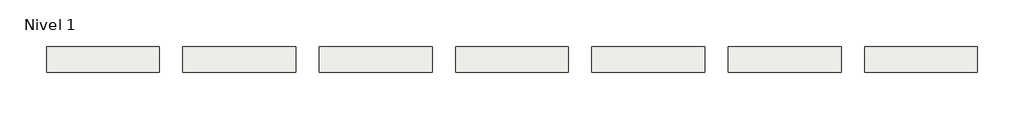
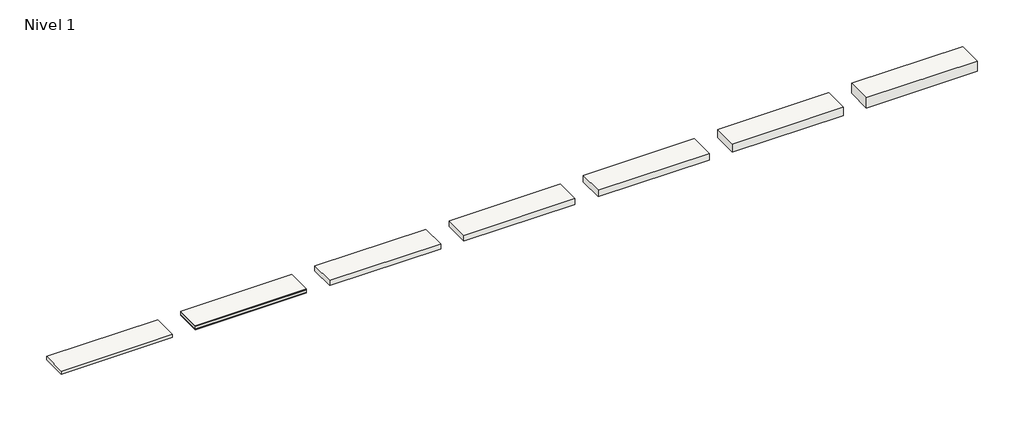
# One storey: 7 roofs.
"""IFC4 building model written with IfcOpenShell, lengths in millimetres."""

from ifc_helpers import new_model, si_unit, frame, origin, origin_with_axes, place, context, project, spatial, polyline, outline, extrude, element, save

model = new_model("IFC4")

# Units and contexts
model_context = context("Model", 3, world=origin())
ifc_project = project(units=[si_unit("LENGTHUNIT", "METRE", prefix="MILLI")], contexts=[model_context])

# Site, building, storey
site = spatial("IfcSite", under=ifc_project)
building = spatial("IfcBuilding", under=site)
storey = spatial("IfcBuildingStorey", under=building, Name="Nivel 1", Elevation=0.0)

# Roofs
placement = place(None, origin())
element("IfcRoof", 1, at=placement, inside=storey, context=model_context, shape_type="SweptSolid", body=[
    extrude(outline(polyline([(-924.6699095, -5944.5376473), (1475.3300905, -5944.5376473), (1475.3300905, -6494.5376473), (-924.6699095, -6494.5376473), (-924.6699095, -5944.5376473)])), frame((0.0, 0.0, 79.0), z_axis=(0.0, 0.0, 1.0), x_axis=(1.0, 0.0, 0.0)), (0.0, 0.0, 1.0), 12.5),
    extrude(outline(polyline([(-924.6699095, -5944.5376473), (1475.3300905, -5944.5376473), (1475.3300905, -6494.5376473), (-924.6699095, -6494.5376473), (-924.6699095, -5944.5376473)])), frame((0.0, 0.0, 19.0), z_axis=(0.0, 0.0, 1.0), x_axis=(1.0, 0.0, 0.0)), (0.0, 0.0, 1.0), 60.0),
    extrude(outline(polyline([(-924.6699095, -5944.5376473), (1475.3300905, -5944.5376473), (1475.3300905, -6494.5376473), (-924.6699095, -6494.5376473), (-924.6699095, -5944.5376473)])), origin_with_axes(), (0.0, 0.0, 1.0), 19.0),
])
element("IfcRoof", 2, at=placement, inside=storey, context=model_context, shape_type="SweptSolid", body=[
    extrude(outline(polyline([(1975.3300905, -5944.5376473), (4375.3300905, -5944.5376473), (4375.3300905, -6494.5376473), (1975.3300905, -6494.5376473), (1975.3300905, -5944.5376473)])), origin_with_axes(), (0.0, 0.0, 1.0), 111.5),
])
element("IfcRoof", 3, at=placement, inside=storey, context=model_context, shape_type="SweptSolid", body=[
    extrude(outline(polyline([(4875.3300905, -5944.5376473), (7275.3300905, -5944.5376473), (7275.3300905, -6494.5376473), (4875.3300905, -6494.5376473), (4875.3300905, -5944.5376473)])), origin_with_axes(), (0.0, 0.0, 1.0), 131.5),
])
element("IfcRoof", 4, at=placement, inside=storey, context=model_context, shape_type="SweptSolid", body=[
    extrude(outline(polyline([(7775.3300905, -5944.5376473), (10175.3300905, -5944.5376473), (10175.3300905, -6494.5376473), (7775.3300905, -6494.5376473), (7775.3300905, -5944.5376473)])), origin_with_axes(), (0.0, 0.0, 1.0), 151.5),
])
element("IfcRoof", 5, at=placement, inside=storey, context=model_context, shape_type="SweptSolid", body=[
    extrude(outline(polyline([(10675.3300905, -5944.5376473), (13075.3300905, -5944.5376473), (13075.3300905, -6494.5376473), (10675.3300905, -6494.5376473), (10675.3300905, -5944.5376473)])), origin_with_axes(), (0.0, 0.0, 1.0), 191.5),
])
element("IfcRoof", 6, at=placement, inside=storey, context=model_context, shape_type="SweptSolid", body=[
    extrude(outline(polyline([(13575.3300905, -5944.5376473), (15975.3300905, -5944.5376473), (15975.3300905, -6494.5376473), (13575.3300905, -6494.5376473), (13575.3300905, -5944.5376473)])), origin_with_axes(), (0.0, 0.0, 1.0), 231.5),
])
element("IfcRoof", 7, at=placement, inside=storey, context=model_context, shape_type="SweptSolid", body=[
    extrude(outline(polyline([(-3824.6699095, -5944.5376473), (-1424.6699095, -5944.5376473), (-1424.6699095, -6494.5376473), (-3824.6699095, -6494.5376473), (-3824.6699095, -5944.5376473)])), origin_with_axes(), (0.0, 0.0, 1.0), 71.5),
])

save(model, "model.ifc")
